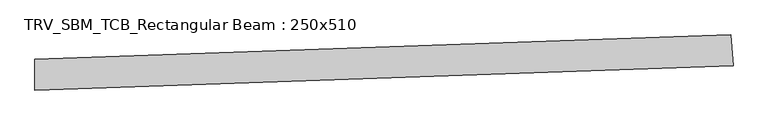
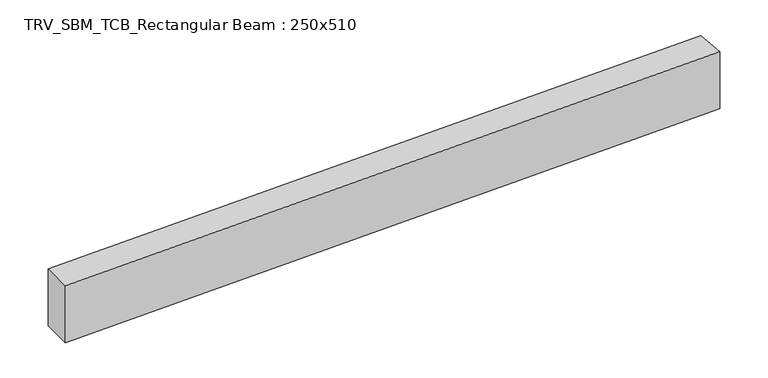
"""IFC4 building model written with IfcOpenShell, lengths in millimetres: beam geometry, TRV_SBM_TCB_Rectangular Beam : 250x510."""

from ifc_helpers import new_model, si_unit, point, frame, frame_2d, origin, place, context, project, spatial, polyline, circle_curve, trimmed, segment, composite_curve, outline, extrude, source, transform, mapped, element, save


def trv_sbm_tcb_rectangular_beam_250x510_fcc7e23e(model_context):
    return source(origin(), model_context, "Body", "SweptSolid", [
        extrude(outline(composite_curve([segment(polyline([(5622.8970055, 321.5970161), (5640.357487, 72.2074983)]), True, "CONTINUOUS"), segment(trimmed(circle_curve(frame_2d((0.0, 80633.9053456)), 80758.9053456), [point((5640.357487, 72.2074983))], [point((-12.7208517, -124.9989981))], False, "CARTESIAN"), True, "CONTINUOUS"), segment(polyline([(-12.7208517, -124.9989981), (-12.6814726, 125.0009988)]), True, "CONTINUOUS"), segment(trimmed(circle_curve(frame_2d((0.0, 80633.9053456)), 80508.9053456), [point((-12.6814726, 125.0009988))], [point((5622.8970055, 321.5970161))], True, "CARTESIAN"), True, "CONTINUOUS")], self_intersect=False)), frame((0.0, 0.0, -255.0), z_axis=(0.0, 0.0, 1.0), x_axis=(1.0, 0.0, 0.0)), (0.0, 0.0, 1.0), 510.0),
    ])


if __name__ == "__main__":
    model = new_model("IFC4")
    model_context = context("Model", 3, world=origin())
    ifc_project = project(units=[si_unit("LENGTHUNIT", "METRE", prefix="MILLI")], contexts=[model_context])
    site = spatial("IfcSite", under=ifc_project)
    building = spatial("IfcBuilding", under=site)
    placement = place(None, origin())
    trv_sbm_tcb_rectangular_beam_250x510_shape = trv_sbm_tcb_rectangular_beam_250x510_fcc7e23e(model_context)
    element("IfcBeam", 1, ObjectType="TRV_SBM_TCB_Rectangular Beam : 250x510", at=placement, inside=building, context=model_context, shape_type="MappedRepresentation", body=[
        mapped(trv_sbm_tcb_rectangular_beam_250x510_shape, transform((0.0, 0.0, 0.0), x_axis=(1.0, 0.0, 0.0), y_axis=(0.0, 1.0, 0.0), z_axis=(0.0, 0.0, 1.0))),
    ])
    save(model, "model.ifc")
